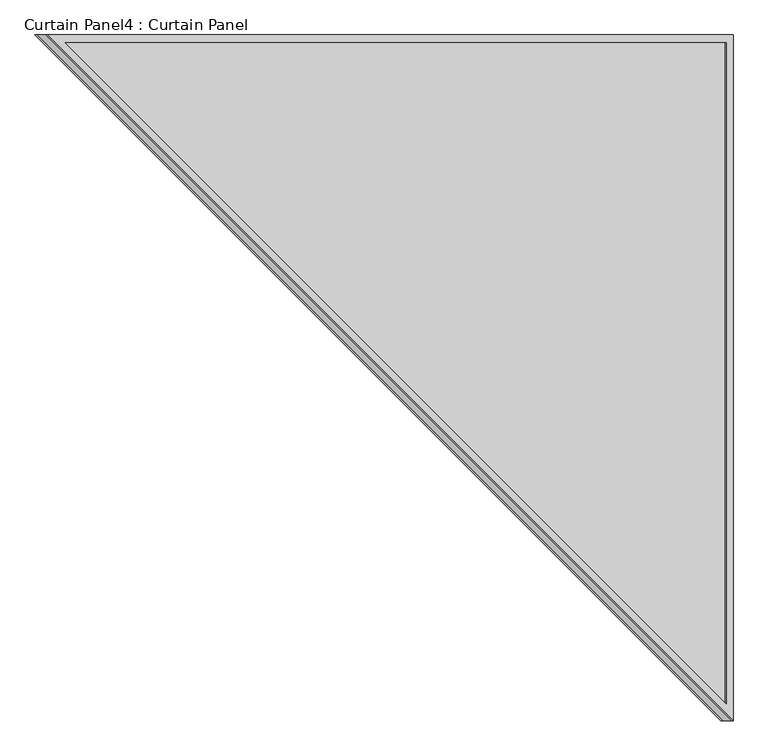
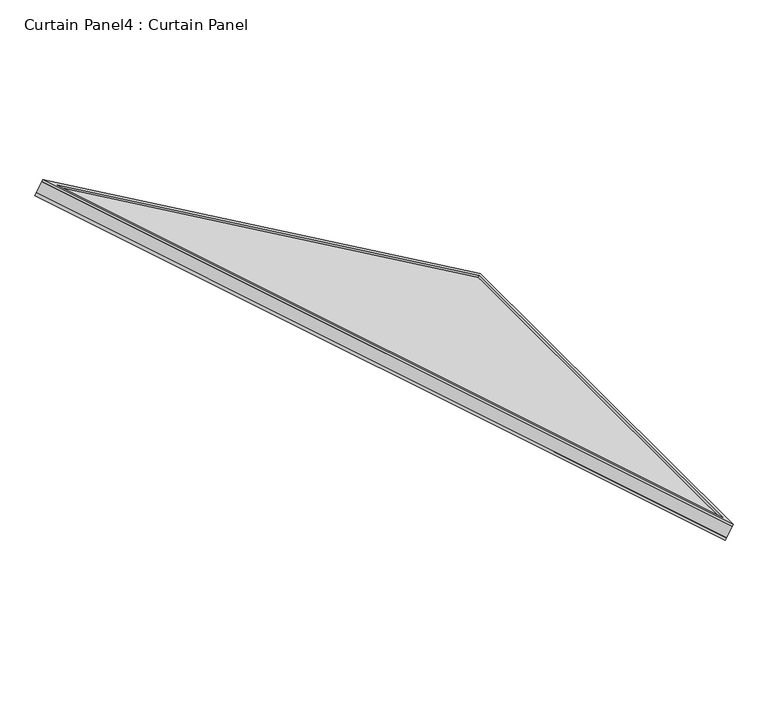
"""IFC4 building model written with IfcOpenShell, lengths in millimetres: plate geometry, Curtain Panel4 : Curtain Panel."""

from ifc_helpers import new_model, si_unit, frame, origin, place, context, project, spatial, polyline, outline, extrude, source, transform, mapped, element, save


def curtain_panel4_curtain_panel_89e9b5bc(model_context):
    return source(origin(), model_context, "Body", "SweptSolid", [
        extrude(outline(polyline([(1318.6200807, 0.0), (1318.6200807, -1141.9584878), (0.0, 0.0), (1318.6200807, 0.0)]), holes=[polyline([(1305.9200807, -12.7), (34.0642673, -12.7), (1305.9200807, -1114.1594444), (1305.9200807, -12.7)])]), frame((-5845.248202, 6062.5537369, 654.624781), z_axis=(0.5000000000000026, 0.0, 0.8660254037844373), x_axis=(0.8660254037844373, 0.0, -0.5000000000000026)), (0.0, 0.0, 1.0), 4.8003678),
        extrude(outline(polyline([(1318.6200808, 0.0), (1318.6200808, -1141.9584878), (0.0, 0.0), (1318.6200808, 0.0)]), holes=[polyline([(1305.9200807, -12.7), (34.0642674, -12.7), (1305.9200807, -1114.1594444), (1305.9200807, -12.7)])]), frame((-5863.6760181, 6062.5537369, 622.7068673), z_axis=(0.5000000000000022, 0.0, 0.8660254037844374), x_axis=(0.8660254037844374, 0.0, -0.5000000000000022)), (0.0, 0.0, 1.0), 6.7312322),
        extrude(outline(polyline([(12.7, 0.0), (1154.6584878, 0.0), (12.7, -1318.6200807), (12.7, 0.0)])), frame((-4718.3519142, 6075.2537369, -30.773755), z_axis=(0.5000000000000002, 0.0, 0.8660254037844386), x_axis=(0.0, -1.0, 0.0)), (0.0, 0.0, 1.0), 30.1244),
    ])


if __name__ == "__main__":
    model = new_model("IFC4")
    model_context = context("Model", 3, world=origin())
    ifc_project = project(units=[si_unit("LENGTHUNIT", "METRE", prefix="MILLI")], contexts=[model_context])
    site = spatial("IfcSite", under=ifc_project)
    building = spatial("IfcBuilding", under=site)
    placement = place(None, origin())
    curtain_panel4_curtain_panel_shape = curtain_panel4_curtain_panel_89e9b5bc(model_context)
    element("IfcPlate", 1, ObjectType="Curtain Panel4 : Curtain Panel", at=placement, inside=building, context=model_context, shape_type="MappedRepresentation", body=[
        mapped(curtain_panel4_curtain_panel_shape, transform((0.0, 0.0, 0.0), x_axis=(1.0, 0.0, 0.0), y_axis=(0.0, 1.0, 0.0), z_axis=(0.0, 0.0, 1.0))),
    ])
    save(model, "model.ifc")
